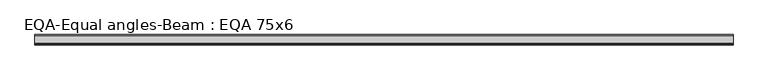
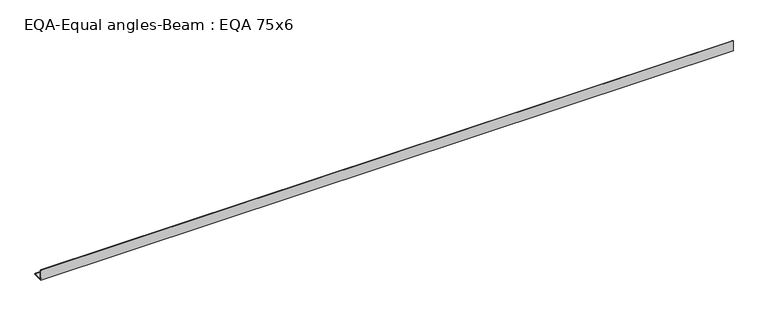
"""IFC4 building model written with IfcOpenShell, lengths in millimetres: beam geometry, EQA-Equal angles-Beam : EQA 75x6."""

from ifc_helpers import new_model, si_unit, point, frame, frame_2d, origin, place, context, project, spatial, polyline, circle_curve, trimmed, segment, composite_curve, outline, extrude, source, transform, mapped, element, save


def eqa_equal_angles_beam_eqa_75x6_f6d2173a(model_context):
    return source(origin(), model_context, "Body", "SweptSolid", [
        extrude(outline(composite_curve([segment(polyline([(-20.5, -20.5), (-20.5, 54.5), (-19.0, 54.5)]), True, "CONTINUOUS"), segment(trimmed(circle_curve(frame_2d((-19.0, 50.0)), 4.5), [point((-19.0, 54.5))], [point((-14.5, 50.0))], False, "CARTESIAN"), True, "CONTINUOUS"), segment(polyline([(-14.5, 50.0), (-14.5, -5.5)]), True, "CONTINUOUS"), segment(trimmed(circle_curve(frame_2d((-5.5, -5.5)), 9.0), [point((-14.5, -5.5))], [point((-5.5, -14.5))], True, "CARTESIAN"), True, "CONTINUOUS"), segment(polyline([(-5.5, -14.5), (50.0, -14.5)]), True, "CONTINUOUS"), segment(trimmed(circle_curve(frame_2d((50.0, -19.0)), 4.5), [point((50.0, -14.5))], [point((54.5, -19.0))], False, "CARTESIAN"), True, "CONTINUOUS"), segment(polyline([(54.5, -19.0), (54.5, -20.5), (-20.5, -20.5)]), True, "CONTINUOUS")], self_intersect=False)), frame((-2484.1227223, 0.0, 0.0), z_axis=(1.0, 0.0, 0.0), x_axis=(0.0, 1.0, 0.0)), (0.0, 0.0, 1.0), 4955.5546125),
    ])


if __name__ == "__main__":
    model = new_model("IFC4")
    model_context = context("Model", 3, world=origin())
    ifc_project = project(units=[si_unit("LENGTHUNIT", "METRE", prefix="MILLI")], contexts=[model_context])
    site = spatial("IfcSite", under=ifc_project)
    building = spatial("IfcBuilding", under=site)
    placement = place(None, origin())
    eqa_equal_angles_beam_eqa_75x6_shape = eqa_equal_angles_beam_eqa_75x6_f6d2173a(model_context)
    element("IfcBeam", 1, ObjectType="EQA-Equal angles-Beam : EQA 75x6", at=placement, inside=building, context=model_context, shape_type="MappedRepresentation", body=[
        mapped(eqa_equal_angles_beam_eqa_75x6_shape, transform((0.0, 0.0, 0.0), x_axis=(1.0, 0.0, 0.0), y_axis=(0.0, 1.0, 0.0), z_axis=(0.0, 0.0, 1.0))),
    ])
    save(model, "model.ifc")
